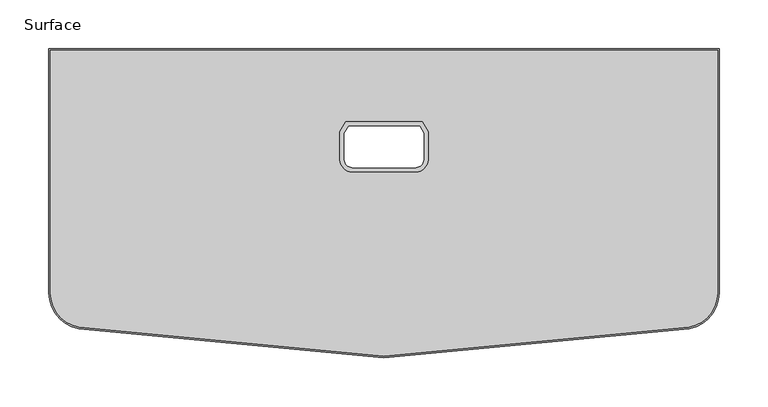
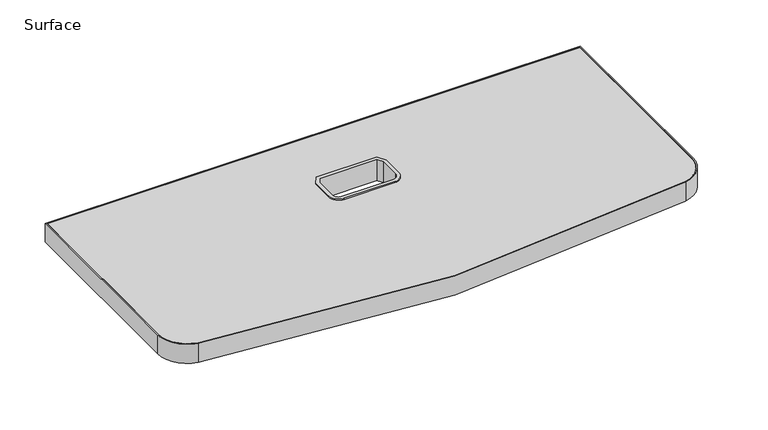
"""IFC4 building model written with IfcOpenShell, lengths in millimetres: furniture geometry, Surface."""

from ifc_helpers import new_model, si_unit, point, frame, frame_2d, origin, place, context, project, spatial, polyline, circle_curve, trimmed, segment, composite_curve, outline, extrude, source, transform, mapped, element, save
from ifc_brep_helpers import plane_surface, cylinder_surface, revolved_surface, advanced_brep


def surface_a7add9f4(model_context):
    return source(origin(), model_context, "Body", "SolidModel", [
        extrude(outline(composite_curve([segment(polyline([(0.0, 0.0), (685.250316, 0.0), (685.250316, -249.0788589)]), True, "CONTINUOUS"), segment(trimmed(circle_curve(frame_2d((647.425277, -249.0788589)), 37.8250391), [point((685.250316, -249.0788589))], [point((654.5652843, -286.2238973))], False, "CARTESIAN"), True, "CONTINUOUS"), segment(trimmed(circle_curve(frame_2d((342.625158, 1336.6074742)), 1652.5399549), [point((654.5652843, -286.2238973))], [point((30.6850317, -286.2238973))], False, "CARTESIAN"), True, "CONTINUOUS"), segment(trimmed(circle_curve(frame_2d((37.8250391, -249.0788589)), 37.8250391), [point((30.6850317, -286.2238973))], [point((0.0, -249.0788589))], False, "CARTESIAN"), True, "CONTINUOUS"), segment(polyline([(0.0, -249.0788589), (0.0, 0.0)]), True, "CONTINUOUS")], self_intersect=False), holes=[composite_curve([segment(trimmed(circle_curve(frame_2d((647.425277, -249.0788589)), 36.2375391), [point((654.2656214, -284.6649366))], [point((683.662816, -249.0788589))], True, "CARTESIAN"), True, "CONTINUOUS"), segment(polyline([(683.662816, -249.0788589), (683.662816, -1.5875), (1.5875, -1.5875), (1.5875, -249.0788589)]), True, "CONTINUOUS"), segment(trimmed(circle_curve(frame_2d((37.8250391, -249.0788589)), 36.2375391), [point((1.5875, -249.0788589))], [point((30.9846946, -284.6649366))], True, "CARTESIAN"), True, "CONTINUOUS"), segment(trimmed(circle_curve(frame_2d((342.625158, 1336.6074742)), 1650.9524549), [point((30.9846946, -284.6649366))], [point((654.2656214, -284.6649366))], True, "CARTESIAN"), True, "CONTINUOUS")], self_intersect=False)]), frame((0.0, 0.0, 711.2), z_axis=(0.0, 0.0, 1.0), x_axis=(1.0, 0.0, 0.0)), (0.0, 0.0, 1.0), 25.4),
        advanced_brep(
        [(300.5862002, -85.7188595, 709.676), (300.5862002, -85.7188595, 736.6), (305.432832, -77.6411399, 736.6), (305.432832, -77.6411399, 709.676), (302.1737002, -86.1585715, 738.1875), (302.1737002, -86.1585715, 709.676), (306.3316592, -79.2286399, 709.676), (306.3316592, -79.2286399, 738.1875), (297.6037188, -84.89276, 736.6), (297.6037188, -84.89276, 738.1875), (303.7441797, -74.6586585, 738.1875), (303.7441797, -74.6586585, 736.6), (379.8428841, -77.6411399, 736.6), (379.8428841, -77.6411399, 709.676), (378.9440568, -79.2286399, 709.676), (378.9440568, -79.2286399, 738.1875), (381.5315363, -74.6586585, 738.1875), (381.5315363, -74.6586585, 736.6), (384.6895158, -85.7188595, 736.6), (384.6895158, -85.7188595, 709.676), (383.1020158, -86.1585715, 709.676), (383.1020158, -86.1585715, 738.1875), (387.6719972, -84.89276, 738.1875), (387.6719972, -84.89276, 736.6), (384.6895158, -113.1831061, 736.6), (384.6895158, -113.1831061, 709.676), (383.1020158, -113.1831061, 709.676), (383.1020158, -113.1831061, 738.1875), (387.6719972, -113.1831061, 738.1875), (387.6719972, -113.1831061, 736.6), (374.9962523, -122.8763696, 709.676), (374.9962523, -122.8763696, 736.6), (374.9962523, -121.2888696, 738.1875), (374.9962523, -121.2888696, 709.676), (374.9962523, -125.8588509, 736.6), (374.9962523, -125.8588509, 738.1875), (310.2794637, -122.8763696, 736.6), (310.2794637, -122.8763696, 709.676), (310.2794637, -121.2888696, 709.676), (310.2794637, -121.2888696, 738.1875), (310.2794637, -125.8588509, 738.1875), (310.2794637, -125.8588509, 736.6), (300.5862002, -113.1831061, 709.676), (300.5862002, -113.1831061, 736.6), (302.1737002, -113.1831061, 738.1875), (302.1737002, -113.1831061, 709.676), (297.6037188, -113.1831061, 736.6), (297.6037188, -113.1831061, 738.1875)],
        [
            (0, 1),
            (1, 2),
            (2, 3),
            (3, 0),
            (4, 5),
            (5, 6),
            (6, 7),
            (7, 4),
            (8, 9),
            (9, 10),
            (10, 11),
            (11, 8),
            (2, 12),
            (12, 13),
            (13, 3),
            (6, 14),
            (14, 15),
            (15, 7),
            (10, 16),
            (16, 17),
            (17, 11),
            (12, 18),
            (18, 19),
            (19, 13),
            (14, 20),
            (20, 21),
            (21, 15),
            (16, 22),
            (22, 23),
            (23, 17),
            (18, 24),
            (24, 25),
            (25, 19),
            (20, 26),
            (26, 27),
            (27, 21),
            (22, 28),
            (28, 29),
            (29, 23),
            (30, 25, circle_curve(frame((374.9962523, -113.1831061, 709.676), z_axis=(0.0, 0.0, 1.0), x_axis=(1.0, 0.0, 0.0)), 9.6932635)),
            (24, 31, circle_curve(frame((374.9962523, -113.1831061, 736.6), z_axis=(0.0, 0.0, -1.0), x_axis=(1.0, 0.0, 0.0)), 9.6932635)),
            (31, 30),
            (32, 27, circle_curve(frame((374.9962523, -113.1831061, 738.1875), z_axis=(0.0, 0.0, 1.0), x_axis=(1.0, 0.0, 0.0)), 8.1057635)),
            (26, 33, circle_curve(frame((374.9962523, -113.1831061, 709.676), z_axis=(0.0, 0.0, -1.0), x_axis=(1.0, 0.0, 0.0)), 8.1057635)),
            (33, 32),
            (34, 29, circle_curve(frame((374.9962523, -113.1831061, 736.6), z_axis=(0.0, 0.0, 1.0), x_axis=(1.0, 0.0, 0.0)), 12.6757449)),
            (28, 35, circle_curve(frame((374.9962523, -113.1831061, 738.1875), z_axis=(0.0, 0.0, -1.0), x_axis=(1.0, 0.0, 0.0)), 12.6757449)),
            (35, 34),
            (31, 36),
            (36, 37),
            (37, 30),
            (33, 38),
            (38, 39),
            (39, 32),
            (35, 40),
            (40, 41),
            (41, 34),
            (42, 37, circle_curve(frame((310.2794637, -113.1831061, 709.676), z_axis=(0.0, 0.0, 1.0), x_axis=(0.0, -1.0, 0.0)), 9.6932635)),
            (36, 43, circle_curve(frame((310.2794637, -113.1831061, 736.6), z_axis=(0.0, 0.0, -1.0), x_axis=(0.0, -1.0, 0.0)), 9.6932635)),
            (43, 42),
            (44, 39, circle_curve(frame((310.2794637, -113.1831061, 738.1875), z_axis=(0.0, 0.0, 1.0), x_axis=(0.0, -1.0, 0.0)), 8.1057635)),
            (38, 45, circle_curve(frame((310.2794637, -113.1831061, 709.676), z_axis=(0.0, 0.0, -1.0), x_axis=(0.0, -1.0, 0.0)), 8.1057635)),
            (45, 44),
            (46, 41, circle_curve(frame((310.2794637, -113.1831061, 736.6), z_axis=(0.0, 0.0, 1.0), x_axis=(0.0, -1.0, 0.0)), 12.6757449)),
            (40, 47, circle_curve(frame((310.2794637, -113.1831061, 738.1875), z_axis=(0.0, 0.0, -1.0), x_axis=(0.0, -1.0, 0.0)), 12.6757449)),
            (47, 46),
            (43, 1),
            (0, 42),
            (5, 45),
            (4, 44),
            (9, 47),
            (8, 46),
        ],
        [
            plane_surface(frame((300.5862002, -85.7188595, 736.6), z_axis=(-0.8574929257125468, 0.5144957554275223, 0.0), x_axis=(0.5144957554275223, 0.8574929257125468, 0.0))),
            plane_surface(frame((302.1737002, -86.1585715, 709.676), z_axis=(0.8574929257125427, -0.514495755427529, 0.0), x_axis=(0.514495755427529, 0.8574929257125427, 0.0))),
            plane_surface(frame((297.6037188, -84.89276, 738.1875), z_axis=(-0.8574929257125465, 0.5144957554275227, 0.0), x_axis=(0.5144957554275227, 0.8574929257125465, 0.0))),
            plane_surface(frame((305.432832, -77.6411399, 736.6), z_axis=(0.0, 1.0, 0.0), x_axis=(1.0, 0.0, 0.0))),
            plane_surface(frame((306.3316592, -79.2286399, 709.676), z_axis=(0.0, -1.0, 0.0), x_axis=(1.0, 0.0, 0.0))),
            plane_surface(frame((303.7441797, -74.6586585, 738.1875), z_axis=(0.0, 1.0, 0.0), x_axis=(1.0, 0.0, 0.0))),
            plane_surface(frame((379.8428841, -77.6411399, 736.6), z_axis=(0.8574929257125384, 0.514495755427536, 0.0), x_axis=(0.514495755427536, -0.8574929257125384, 0.0))),
            plane_surface(frame((378.9440568, -79.2286399, 709.676), z_axis=(-0.8574929257125378, -0.5144957554275373, 0.0), x_axis=(0.5144957554275373, -0.8574929257125378, 0.0))),
            plane_surface(frame((381.5315363, -74.6586585, 738.1875), z_axis=(0.8574929257125379, 0.5144957554275372, 0.0), x_axis=(0.5144957554275372, -0.8574929257125379, 0.0))),
            plane_surface(frame((384.6895158, -85.7188595, 736.6), z_axis=(1.0, 0.0, 0.0), x_axis=(0.0, -1.0, 0.0))),
            plane_surface(frame((383.1020158, -86.1585715, 709.676), z_axis=(-1.0, 0.0, 0.0), x_axis=(0.0, -1.0, 0.0))),
            plane_surface(frame((387.6719972, -84.89276, 738.1875), z_axis=(1.0, 0.0, 0.0), x_axis=(0.0, -1.0, 0.0))),
            cylinder_surface(frame((374.9962523, -113.1831061, 736.6), z_axis=(0.0, 0.0, -1.0), x_axis=(1.0, 0.0, 0.0)), 9.6932635),
            revolved_surface(polyline([(383.1020158, -113.1831061, 709.676), (383.1020158, -113.1831061, 738.1875)]), (374.9962523, -113.1831061, 736.6), (0.0, 0.0, -1.0)),
            cylinder_surface(frame((374.9962523, -113.1831061, 736.6), z_axis=(0.0, 0.0, -1.0), x_axis=(1.0, 0.0, 0.0)), 12.6757449),
            plane_surface(frame((374.9962523, -122.8763696, 736.6), z_axis=(0.0, -1.0, 0.0), x_axis=(-1.0, 0.0, 0.0))),
            plane_surface(frame((374.9962523, -121.2888696, 709.676), z_axis=(0.0, 1.0, 0.0), x_axis=(-1.0, 0.0, 0.0))),
            plane_surface(frame((374.9962523, -125.8588509, 738.1875), z_axis=(0.0, -1.0, 0.0), x_axis=(-1.0, 0.0, 0.0))),
            cylinder_surface(frame((310.2794637, -113.1831061, 736.6), z_axis=(0.0, 0.0, -1.0), x_axis=(0.0, -1.0, 0.0)), 9.6932635),
            revolved_surface(polyline([(310.2794637, -121.2888696, 709.676), (310.2794637, -121.2888696, 738.1875)]), (310.2794637, -113.1831061, 736.6), (0.0, 0.0, -1.0)),
            cylinder_surface(frame((310.2794637, -113.1831061, 736.6), z_axis=(0.0, 0.0, -1.0), x_axis=(0.0, -1.0, 0.0)), 12.6757449),
            plane_surface(frame((300.5862002, -113.1831061, 736.6), z_axis=(-1.0, 0.0, 0.0), x_axis=(0.0, 1.0, 0.0))),
            plane_surface(frame((300.5862002, -113.1831061, 709.676), z_axis=(0.0, 0.0, -1.0), x_axis=(0.0, 1.0, 0.0))),
            plane_surface(frame((302.1737002, -113.1831061, 709.676), z_axis=(1.0, 0.0, 0.0), x_axis=(0.0, 1.0, 0.0))),
            plane_surface(frame((302.1737002, -113.1831061, 738.1875), z_axis=(0.0, 0.0, 1.0), x_axis=(0.0, 1.0, 0.0))),
            plane_surface(frame((297.6037188, -113.1831061, 738.1875), z_axis=(-1.0, 0.0, 0.0), x_axis=(0.0, 1.0, 0.0))),
            plane_surface(frame((297.6037188, -113.1831061, 736.6), z_axis=(0.0, 0.0, -1.0), x_axis=(0.0, 1.0, 0.0))),
        ],
        [
            (0, [[1, 2, 3, 4]]),
            (1, [[5, 6, 7, 8]]),
            (2, [[9, 10, 11, 12]]),
            (3, [[-3, 13, 14, 15]]),
            (4, [[-7, 16, 17, 18]]),
            (5, [[-11, 19, 20, 21]]),
            (6, [[-14, 22, 23, 24]]),
            (7, [[-17, 25, 26, 27]]),
            (8, [[-20, 28, 29, 30]]),
            (9, [[-23, 31, 32, 33]]),
            (10, [[-26, 34, 35, 36]]),
            (11, [[-29, 37, 38, 39]]),
            (12, [[40, -32, 41, 42]]),
            (13, [[43, -35, 44, 45]]),
            (14, [[46, -38, 47, 48]]),
            (15, [[-42, 49, 50, 51]]),
            (16, [[-45, 52, 53, 54]]),
            (17, [[-48, 55, 56, 57]]),
            (18, [[58, -50, 59, 60]]),
            (19, [[61, -53, 62, 63]]),
            (20, [[64, -56, 65, 66]]),
            (21, [[-60, 67, -1, 68]]),
            (22, [[-51, -58, -68, -4, -15, -24, -33, -40], [69, -62, -52, -44, -34, -25, -16, -6]]),
            (23, [[-63, -69, -5, 70]]),
            (24, [[71, -65, -55, -47, -37, -28, -19, -10], [-54, -61, -70, -8, -18, -27, -36, -43]]),
            (25, [[-66, -71, -9, 72]]),
            (26, [[-57, -64, -72, -12, -21, -30, -39, -46], [-67, -59, -49, -41, -31, -22, -13, -2]]),
        ],
    ),
        extrude(outline(composite_curve([segment(polyline([(1.5875, -249.0788589), (1.5875, -1.5875), (683.662816, -1.5875), (683.662816, -249.0788589)]), True, "CONTINUOUS"), segment(trimmed(circle_curve(frame_2d((647.425277, -249.0788589)), 36.2375391), [point((683.662816, -249.0788589))], [point((654.2656214, -284.6649366))], False, "CARTESIAN"), True, "CONTINUOUS"), segment(trimmed(circle_curve(frame_2d((342.625158, 1336.6074742)), 1650.9524549), [point((654.2656214, -284.6649366))], [point((30.9846946, -284.6649366))], False, "CARTESIAN"), True, "CONTINUOUS"), segment(trimmed(circle_curve(frame_2d((37.8250391, -249.0788589)), 36.2375391), [point((30.9846946, -284.6649366))], [point((1.5875, -249.0788589))], False, "CARTESIAN"), True, "CONTINUOUS")], self_intersect=False), holes=[composite_curve([segment(polyline([(300.5862002, -85.7188595), (300.5862002, -113.1831061)]), True, "CONTINUOUS"), segment(trimmed(circle_curve(frame_2d((310.2794637, -113.1831061)), 9.6932635), [point((300.5862002, -113.1831061))], [point((310.2794637, -122.8763696))], True, "CARTESIAN"), True, "CONTINUOUS"), segment(polyline([(310.2794637, -122.8763696), (374.9962523, -122.8763696)]), True, "CONTINUOUS"), segment(trimmed(circle_curve(frame_2d((374.9962523, -113.1831061)), 9.6932635), [point((374.9962523, -122.8763696))], [point((384.6895158, -113.1831061))], True, "CARTESIAN"), True, "CONTINUOUS"), segment(polyline([(384.6895158, -113.1831061), (384.6895158, -85.7188595), (379.8428841, -77.6411399), (305.432832, -77.6411399), (300.5862002, -85.7188595)]), True, "CONTINUOUS")], self_intersect=False)]), frame((0.0, 0.0, 711.2), z_axis=(0.0, 0.0, 1.0), x_axis=(1.0, 0.0, 0.0)), (0.0, 0.0, 1.0), 25.4),
    ])


if __name__ == "__main__":
    model = new_model("IFC4")
    model_context = context("Model", 3, world=origin())
    ifc_project = project(units=[si_unit("LENGTHUNIT", "METRE", prefix="MILLI")], contexts=[model_context])
    site = spatial("IfcSite", under=ifc_project)
    building = spatial("IfcBuilding", under=site)
    placement = place(None, origin())
    surface_shape = surface_a7add9f4(model_context)
    element("IfcFurniture", 1, ObjectType="Surface", at=placement, inside=building, context=model_context, shape_type="MappedRepresentation", body=[
        mapped(surface_shape, transform((0.0, 0.0, 0.0), x_axis=(1.0, 0.0, 0.0), y_axis=(0.0, 1.0, 0.0), z_axis=(0.0, 0.0, 1.0))),
    ])
    save(model, "model.ifc")
